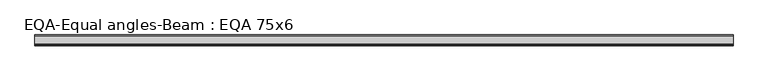
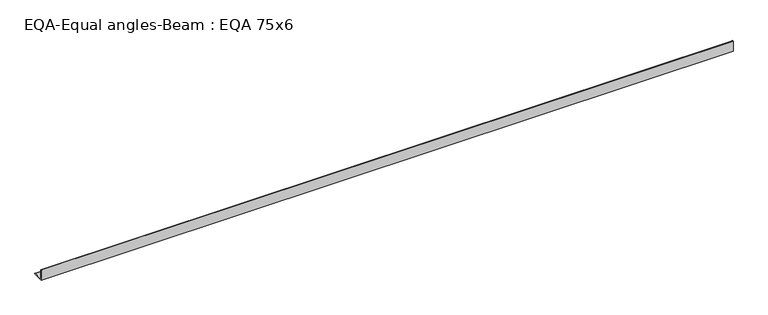
"""IFC4 building model written with IfcOpenShell, lengths in millimetres: beam geometry, EQA-Equal angles-Beam : EQA 75x6."""

from ifc_helpers import new_model, si_unit, point, frame, frame_2d, origin, place, context, project, spatial, polyline, circle_curve, trimmed, segment, composite_curve, outline, extrude, source, transform, mapped, element, save


def eqa_equal_angles_beam_eqa_75x6_955f268f(model_context):
    return source(origin(), model_context, "Body", "SweptSolid", [
        extrude(outline(composite_curve([segment(polyline([(-20.5, -20.5), (-20.5, 54.5), (-19.0, 54.5)]), True, "CONTINUOUS"), segment(trimmed(circle_curve(frame_2d((-19.0, 50.0)), 4.5), [point((-19.0, 54.5))], [point((-14.5, 50.0))], False, "CARTESIAN"), True, "CONTINUOUS"), segment(polyline([(-14.5, 50.0), (-14.5, -5.5)]), True, "CONTINUOUS"), segment(trimmed(circle_curve(frame_2d((-5.5, -5.5)), 9.0), [point((-14.5, -5.5))], [point((-5.5, -14.5))], True, "CARTESIAN"), True, "CONTINUOUS"), segment(polyline([(-5.5, -14.5), (50.0, -14.5)]), True, "CONTINUOUS"), segment(trimmed(circle_curve(frame_2d((50.0, -19.0)), 4.5), [point((50.0, -14.5))], [point((54.5, -19.0))], False, "CARTESIAN"), True, "CONTINUOUS"), segment(polyline([(54.5, -19.0), (54.5, -20.5), (-20.5, -20.5)]), True, "CONTINUOUS")], self_intersect=False)), frame((-2380.5617966, 0.0, 0.0), z_axis=(1.0, 0.0, 0.0), x_axis=(0.0, 1.0, 0.0)), (0.0, 0.0, 1.0), 4765.7712703),
    ])


if __name__ == "__main__":
    model = new_model("IFC4")
    model_context = context("Model", 3, world=origin())
    ifc_project = project(units=[si_unit("LENGTHUNIT", "METRE", prefix="MILLI")], contexts=[model_context])
    site = spatial("IfcSite", under=ifc_project)
    building = spatial("IfcBuilding", under=site)
    placement = place(None, origin())
    eqa_equal_angles_beam_eqa_75x6_shape = eqa_equal_angles_beam_eqa_75x6_955f268f(model_context)
    element("IfcBeam", 1, ObjectType="EQA-Equal angles-Beam : EQA 75x6", at=placement, inside=building, context=model_context, shape_type="MappedRepresentation", body=[
        mapped(eqa_equal_angles_beam_eqa_75x6_shape, transform((0.0, 0.0, 0.0), x_axis=(1.0, 0.0, 0.0), y_axis=(0.0, 1.0, 0.0), z_axis=(0.0, 0.0, 1.0))),
    ])
    save(model, "model.ifc")
